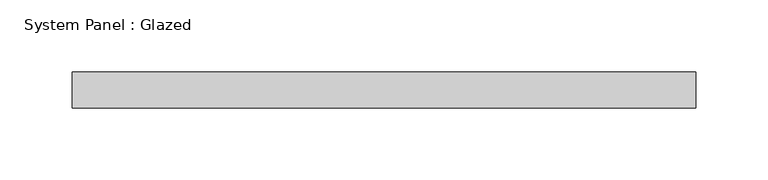
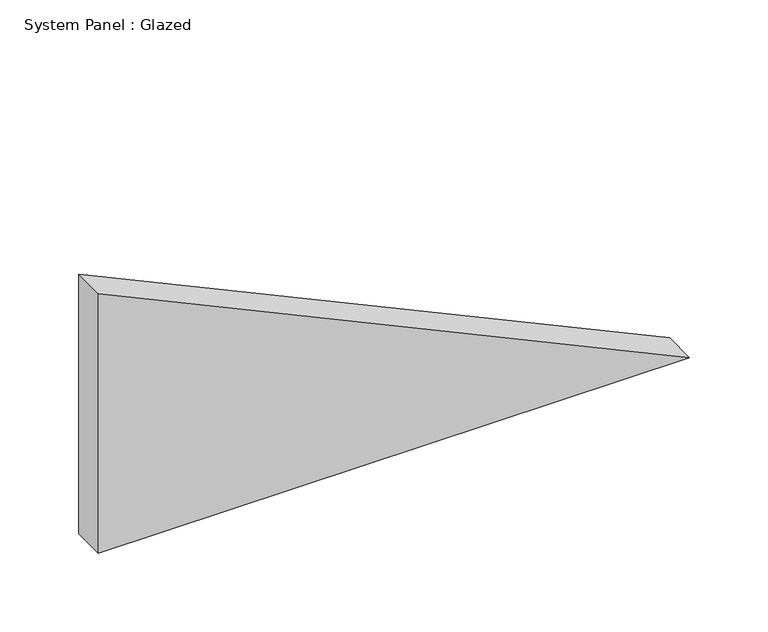
"""IFC4 building model written with IfcOpenShell, lengths in millimetres: plate geometry, System Panel : Glazed."""

from ifc_helpers import new_model, si_unit, frame, origin, place, context, project, spatial, polyline, outline, extrude, source, transform, mapped, element, save


def system_panel_glazed_7a887b03(model_context):
    return source(origin(), model_context, "Body", "SweptSolid", [
        extrude(outline(polyline([(0.0, -216.4624225), (0.0, 216.4624225), (200.8339583, -216.4624225), (0.0, -216.4624225)])), frame((0.0, 52.5, 0.0), z_axis=(0.0, 1.0, 0.0), x_axis=(0.0, 0.0, 1.0)), (0.0, 0.0, 1.0), 25.0),
    ])


if __name__ == "__main__":
    model = new_model("IFC4")
    model_context = context("Model", 3, world=origin())
    ifc_project = project(units=[si_unit("LENGTHUNIT", "METRE", prefix="MILLI")], contexts=[model_context])
    site = spatial("IfcSite", under=ifc_project)
    building = spatial("IfcBuilding", under=site)
    placement = place(None, origin())
    system_panel_glazed_shape = system_panel_glazed_7a887b03(model_context)
    element("IfcPlate", 1, ObjectType="System Panel : Glazed", at=placement, inside=building, context=model_context, shape_type="MappedRepresentation", body=[
        mapped(system_panel_glazed_shape, transform((0.0, 0.0, 0.0), x_axis=(1.0, 0.0, 0.0), y_axis=(0.0, 1.0, 0.0), z_axis=(0.0, 0.0, 1.0))),
    ])
    save(model, "model.ifc")
